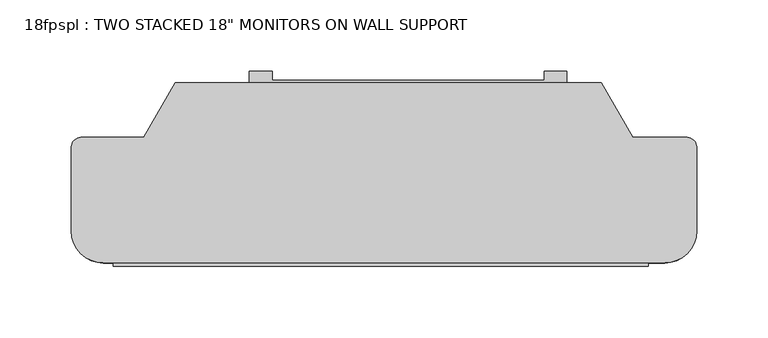
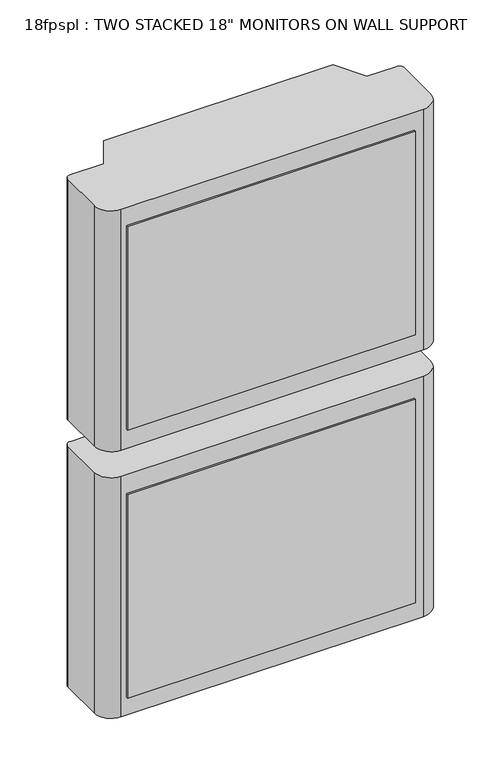
"""IFC4 building model written with IfcOpenShell, lengths in millimetres: proxy geometry."""

import ifcopenshell
import ifcopenshell.guid

model = None  # the IFC model being written
_history = None  # IfcOwnerHistory: only IFC2X3 demands one
_inside = {}  # id of a spatial element -> (the spatial element, [elements in it])
_under = {}  # id of a project, library or spatial element -> (it, [spatial elements below it])
_declared = {}  # id of a project -> (the project, [libraries it declares])
_typed = {}  # id of a type object -> (the type object, [elements of that type])
_made_of = {}  # id of a material, layer set ... -> (it, [elements and type objects made of it])


def new_model(schema):
    """Start an empty IFC model of exactly this schema.

    Asked for "IFC4X3", IfcOpenShell would pick the latest addendum, in which some entities
    have other attributes; the version numbers below select the first issue.
    IFC2X3 requires an IfcOwnerHistory on every rooted entity: one is made here for all.
    """
    global model, _history
    if schema == "IFC4X3":
        model = ifcopenshell.file(schema_version=(4, 3, 0, 0))
    else:
        model = ifcopenshell.file(schema=schema)
    _inside.clear()
    _under.clear()
    _declared.clear()
    _typed.clear()
    _made_of.clear()
    _history = None
    if model.schema == "IFC2X3":
        org = make("IfcOrganization", Name="unknown")
        user = make(
            "IfcPersonAndOrganization",
            ThePerson=make("IfcPerson", FamilyName="unknown"),
            TheOrganization=org,
        )
        app = make(
            "IfcApplication",
            ApplicationDeveloper=org,
            Version="unknown",
            ApplicationFullName="unknown",
            ApplicationIdentifier="unknown",
        )
        _history = make(
            "IfcOwnerHistory",
            OwningUser=user,
            OwningApplication=app,
            ChangeAction="ADDED",
            CreationDate=0,
        )
    return model


def make(cls, **values):
    """One entity of the class cls with the attributes given. An attribute that is None is left unset."""
    return model.create_entity(
        cls, **{name: value for name, value in values.items() if value is not None}
    )


def rooted(cls, **values):
    """An entity with a GlobalId (a new one), such as an element, a storey or a relation."""
    return make(cls, GlobalId=ifcopenshell.guid.new(), OwnerHistory=_history, **values)


def si_unit(unit_type, name, prefix=None):
    """IfcSIUnit, for example si_unit("LENGTHUNIT", "METRE", prefix="MILLI")."""
    return make("IfcSIUnit", UnitType=unit_type, Prefix=prefix, Name=name)


def assignment(units):
    """IfcUnitAssignment: the units of a project."""
    return None if units is None else make("IfcUnitAssignment", Units=units)


def point(xyz):
    """IfcCartesianPoint."""
    return None if xyz is None else make("IfcCartesianPoint", Coordinates=xyz)


def direction(xyz):
    """IfcDirection."""
    return None if xyz is None else make("IfcDirection", DirectionRatios=xyz)


def frame(location, z_axis=None, x_axis=None):
    """IfcAxis2Placement3D, a coordinate frame: its origin and axes. An axis left out is left unset."""
    return make(
        "IfcAxis2Placement3D",
        Location=point(location),
        Axis=direction(z_axis),
        RefDirection=direction(x_axis),
    )


def frame_2d(location, x_axis=None):
    """IfcAxis2Placement2D, a coordinate frame in the plane: its origin and x axis."""
    return make(
        "IfcAxis2Placement2D", Location=point(location), RefDirection=direction(x_axis)
    )


def origin():
    """The frame at (0, 0, 0) with its axes left unset."""
    return frame((0.0, 0.0, 0.0))


def place(relative_to, where):
    """IfcLocalPlacement: puts the frame where relative to a parent placement (None: the world)."""
    return make(
        "IfcLocalPlacement", PlacementRelTo=relative_to, RelativePlacement=where
    )


def context(
    kind, dimensions, precision=None, world=None, true_north=None, identifier=None
):
    """IfcGeometricRepresentationContext, for example the 3D "Model" context."""
    return make(
        "IfcGeometricRepresentationContext",
        ContextIdentifier=identifier,
        ContextType=kind,
        CoordinateSpaceDimension=dimensions,
        Precision=precision,
        WorldCoordinateSystem=world,
        TrueNorth=true_north,
    )


def project(units=None, contexts=None):
    """IfcProject with its units and contexts."""
    return rooted(
        "IfcProject",
        Name="project",
        RepresentationContexts=contexts,
        UnitsInContext=assignment(units),
    )


def spatial(cls, under=None, at=None, **own):
    """A site, building, storey or space (cls), placed at a placement, below another one or the project."""
    s = rooted(cls, ObjectPlacement=at, **own)
    if under is not None:
        _under.setdefault(under.id(), (under, []))[1].append(s)
    return s


def polyline(points):
    """IfcPolyline through the points."""
    return make("IfcPolyline", Points=[point(p) for p in points])


def circle_curve(where, radius):
    """IfcCircle in the frame where."""
    return make("IfcCircle", Position=where, Radius=radius)


def trimmed(basis, trim1, trim2, sense, master):
    """IfcTrimmedCurve: the piece of a basis curve between two trims."""
    return make(
        "IfcTrimmedCurve",
        BasisCurve=basis,
        Trim1=trim1,
        Trim2=trim2,
        SenseAgreement=sense,
        MasterRepresentation=master,
    )


def segment(curve, same_sense, transition):
    """IfcCompositeCurveSegment."""
    return make(
        "IfcCompositeCurveSegment",
        Transition=transition,
        SameSense=same_sense,
        ParentCurve=curve,
    )


def composite_curve(segments, self_intersect=None):
    """IfcCompositeCurve: segments joined end to end."""
    return make("IfcCompositeCurve", Segments=segments, SelfIntersect=self_intersect)


def outline(outer, holes=None, kind="AREA"):
    """IfcArbitraryClosedProfileDef: a profile drawn as a closed curve; with holes, ...WithVoids."""
    if holes is None:
        return make("IfcArbitraryClosedProfileDef", ProfileType=kind, OuterCurve=outer)
    return make(
        "IfcArbitraryProfileDefWithVoids",
        ProfileType=kind,
        OuterCurve=outer,
        InnerCurves=holes,
    )


def extrude(swept, where, along, depth):
    """IfcExtrudedAreaSolid: the profile swept, set in the frame where, extruded along a direction by depth."""
    return make(
        "IfcExtrudedAreaSolid",
        SweptArea=swept,
        Position=where,
        ExtrudedDirection=direction(along),
        Depth=depth,
    )


def shape(context_of_items, identifier, shape_type, items):
    """IfcShapeRepresentation: the items that make up one representation, for example the "Body"."""
    return make(
        "IfcShapeRepresentation",
        ContextOfItems=context_of_items,
        RepresentationIdentifier=identifier,
        RepresentationType=shape_type,
        Items=items,
    )


def source(mapping_origin, context_of_items, identifier, shape_type, items):
    """IfcRepresentationMap: a shape defined once, which mapped items show again and again."""
    return make(
        "IfcRepresentationMap",
        MappingOrigin=mapping_origin,
        MappedRepresentation=shape(context_of_items, identifier, shape_type, items),
    )


def transform(
    local_origin,
    x_axis=None,
    y_axis=None,
    z_axis=None,
    scale=None,
    scale2=None,
    scale3=None,
    uniform=True,
):
    """IfcCartesianTransformationOperator3D, or its non-uniform kind. x_axis, y_axis, z_axis: its Axis1, 2, 3."""
    if uniform:
        return make(
            "IfcCartesianTransformationOperator3D",
            Axis1=direction(x_axis),
            Axis2=direction(y_axis),
            LocalOrigin=point(local_origin),
            Scale=scale,
            Axis3=direction(z_axis),
        )
    return make(
        "IfcCartesianTransformationOperator3DnonUniform",
        Axis1=direction(x_axis),
        Axis2=direction(y_axis),
        LocalOrigin=point(local_origin),
        Scale=scale,
        Axis3=direction(z_axis),
        Scale2=scale2,
        Scale3=scale3,
    )


def mapped(mapping_source, mapping_target):
    """IfcMappedItem: shows the shape of a source again, moved by a transform."""
    return make(
        "IfcMappedItem", MappingSource=mapping_source, MappingTarget=mapping_target
    )


def made_of(thing, what):
    """Note that an element or type object is made of a material, layer set ...; save() writes the relation."""
    if what is not None:
        _made_of.setdefault(what.id(), (what, []))[1].append(thing)
    return thing


def element(
    cls,
    number,
    at=None,
    inside=None,
    cuts=None,
    type_object=None,
    material=None,
    context=None,
    identifier="Body",
    shape_type=None,
    held_by="IfcProductDefinitionShape",
    body=None,
    shapes=None,
    **own,
):
    """One element of the class cls, such as IfcWall. Its Tag is "e" and its number.

    at: its placement. inside: the storey or other place that contains it. cuts: it is an
    opening in that element (IfcRelVoidsElement). A single representation is given by context,
    identifier, shape_type and body (its items); several are given by shapes. held_by: the class
    of the entity that holds the representations. save() writes the other relations.
    """
    e = rooted(cls, Tag="e%d" % number, ObjectPlacement=at, **own)
    if body is not None:
        shapes = [shape(context, identifier, shape_type, body)]
    if shapes is not None:
        e.Representation = make(held_by, Representations=shapes)
    if inside is not None:
        _inside.setdefault(inside.id(), (inside, []))[1].append(e)
    if cuts is not None:
        rooted(
            "IfcRelVoidsElement", RelatingBuildingElement=cuts, RelatedOpeningElement=e
        )
    if type_object is not None:
        _typed.setdefault(type_object.id(), (type_object, []))[1].append(e)
    return made_of(e, material)


def aggregate(whole, parts):
    """IfcRelAggregates: a whole, such as a stair, and the parts it consists of."""
    return rooted("IfcRelAggregates", RelatingObject=whole, RelatedObjects=parts)


def save(model, path):
    """Write the relations noted so far, then the file.

    IfcRelAggregates (storeys below a building ...), IfcRelContainedInSpatialStructure (elements
    in a storey), IfcRelDefinesByType, IfcRelAssociatesMaterial and IfcRelDeclares: one each for
    every whole, place, type object, material and project.
    """
    for whole, parts in _under.values():
        aggregate(whole, parts)
    for where, things in _inside.values():
        rooted(
            "IfcRelContainedInSpatialStructure",
            RelatedElements=things,
            RelatingStructure=where,
        )
    for kind, things in _typed.values():
        rooted("IfcRelDefinesByType", RelatedObjects=things, RelatingType=kind)
    for what, things in _made_of.values():
        rooted("IfcRelAssociatesMaterial", RelatedObjects=things, RelatingMaterial=what)
    for by, libraries in _declared.values():
        rooted("IfcRelDeclares", RelatingContext=by, RelatedDefinitions=libraries)
    model.write(path)


def proxy_9398e8a3(model_context):
    return source(origin(), model_context, "Body", "SweptSolid", [
        extrude(outline(polyline([(-191.6578655, 171.4178051), (182.9921345, 171.4178051), (182.9921345, 159.0541477), (-191.6578655, 159.0541477), (-191.6578655, 171.4178051)])), frame((0.0, 0.0, 1459.5188803), z_axis=(0.0, 0.0, 1.0), x_axis=(1.0, 0.0, 0.0)), (0.0, 0.0, 1.0), 279.4),
        extrude(outline(polyline([(-191.6578655, 171.4178051), (182.9921345, 171.4178051), (182.9921345, 159.0541477), (-191.6578655, 159.0541477), (-191.6578655, 171.4178051)])), frame((0.0, 0.0, 1091.1655858), z_axis=(0.0, 0.0, 1.0), x_axis=(1.0, 0.0, 0.0)), (0.0, 0.0, 1.0), 279.4),
        extrude(outline(polyline([(-96.2356229, 286.0541477), (-96.2356229, 295.39757), (-80.1340325, 295.39757), (-80.1340325, 289.04757), (110.3659675, 289.04757), (110.3659675, 295.39757), (126.0143771, 295.39757), (126.0143771, 286.0541477), (-96.2356229, 286.0541477)])), frame((0.0, 0.0, 1142.0188803), z_axis=(0.0, 0.0, 1.0), x_axis=(1.0, 0.0, 0.0)), (0.0, 0.0, 1.0), 177.5943649),
        extrude(outline(polyline([(-96.2356229, 286.0541477), (-96.2356229, 295.39757), (-80.1340325, 295.39757), (-80.1340325, 289.04757), (110.3659675, 289.04757), (110.3659675, 295.39757), (126.0143771, 295.39757), (126.0143771, 286.0541477), (-96.2356229, 286.0541477)])), frame((0.0, 0.0, 1491.2688803), z_axis=(0.0, 0.0, 1.0), x_axis=(1.0, 0.0, 0.0)), (0.0, 0.0, 1.0), 177.5943649),
        extrude(outline(composite_curve([segment(polyline([(194.5281477, 161.2269314), (-198.5533101, 161.2269314)]), True, "CONTINUOUS"), segment(trimmed(circle_curve(frame_2d((-198.5533101, 183.6775717)), 22.4506403), [point((-198.5533101, 161.2269314))], [point((-221.0039504, 183.6775717))], False, "CARTESIAN"), True, "CONTINUOUS"), segment(polyline([(-221.0039504, 183.6775717), (-221.0039504, 242.5069314)]), True, "CONTINUOUS"), segment(trimmed(circle_curve(frame_2d((-214.4118523, 242.5069314)), 6.5920981), [point((-221.0039504, 242.5069314))], [point((-214.4118523, 249.0990295))], False, "CARTESIAN"), True, "CONTINUOUS"), segment(polyline([(-214.4118523, 249.0990295), (-170.470781, 249.0990295), (-148.245781, 287.5938587), (150.0616899, 287.5938587), (172.2866899, 249.0990295), (210.3866899, 249.0990295)]), True, "CONTINUOUS"), segment(trimmed(circle_curve(frame_2d((210.3866899, 242.5069314)), 6.5920981), [point((210.3866899, 249.0990295))], [point((216.978788, 242.5069314))], False, "CARTESIAN"), True, "CONTINUOUS"), segment(polyline([(216.978788, 242.5069314), (216.978788, 183.6775717)]), True, "CONTINUOUS"), segment(trimmed(circle_curve(frame_2d((194.5281477, 183.6775717)), 22.4506403), [point((216.978788, 183.6775717))], [point((194.5281477, 161.2269314))], False, "CARTESIAN"), True, "CONTINUOUS")], self_intersect=False)), frame((0.0, 0.0, 1433.0485874), z_axis=(0.0, 0.0, 1.0), x_axis=(1.0, 0.0, 0.0)), (0.0, 0.0, 1.0), 330.8236736),
        extrude(outline(composite_curve([segment(polyline([(194.5281477, 161.2269314), (-198.5533101, 161.2269314)]), True, "CONTINUOUS"), segment(trimmed(circle_curve(frame_2d((-198.5533101, 183.6775717)), 22.4506403), [point((-198.5533101, 161.2269314))], [point((-221.0039504, 183.6775717))], False, "CARTESIAN"), True, "CONTINUOUS"), segment(polyline([(-221.0039504, 183.6775717), (-221.0039504, 242.5069314)]), True, "CONTINUOUS"), segment(trimmed(circle_curve(frame_2d((-214.4118523, 242.5069314)), 6.5920981), [point((-221.0039504, 242.5069314))], [point((-214.4118523, 249.0990295))], False, "CARTESIAN"), True, "CONTINUOUS"), segment(polyline([(-214.4118523, 249.0990295), (-170.470781, 249.0990295), (-148.245781, 287.5938587), (150.0616899, 287.5938587), (172.2866899, 249.0990295), (210.3866899, 249.0990295)]), True, "CONTINUOUS"), segment(trimmed(circle_curve(frame_2d((210.3866899, 242.5069314)), 6.5920981), [point((210.3866899, 249.0990295))], [point((216.978788, 242.5069314))], False, "CARTESIAN"), True, "CONTINUOUS"), segment(polyline([(216.978788, 242.5069314), (216.978788, 183.6775717)]), True, "CONTINUOUS"), segment(trimmed(circle_curve(frame_2d((194.5281477, 183.6775717)), 22.4506403), [point((216.978788, 183.6775717))], [point((194.5281477, 161.2269314))], False, "CARTESIAN"), True, "CONTINUOUS")], self_intersect=False)), frame((0.0, 0.0, 1066.2827929), z_axis=(0.0, 0.0, 1.0), x_axis=(1.0, 0.0, 0.0)), (0.0, 0.0, 1.0), 330.8236736),
    ])


if __name__ == "__main__":
    model = new_model("IFC4")
    model_context = context("Model", 3, world=origin())
    ifc_project = project(units=[si_unit("LENGTHUNIT", "METRE", prefix="MILLI")], contexts=[model_context])
    site = spatial("IfcSite", under=ifc_project)
    building = spatial("IfcBuilding", under=site)
    placement = place(None, origin())
    proxy_shape = proxy_9398e8a3(model_context)
    element("IfcBuildingElementProxy", 1, Name="18fpspl : TWO STACKED 18\" MONITORS ON WALL SUPPORT", ObjectType="18fpspl : TWO STACKED 18\" MONITORS ON WALL SUPPORT", at=placement, inside=building, context=model_context, shape_type="MappedRepresentation", body=[
        mapped(proxy_shape, transform((0.0, 0.0, 0.0), x_axis=(1.0, 0.0, 0.0), y_axis=(0.0, 1.0, 0.0), z_axis=(0.0, 0.0, 1.0))),
    ])
    save(model, "model.ifc")
